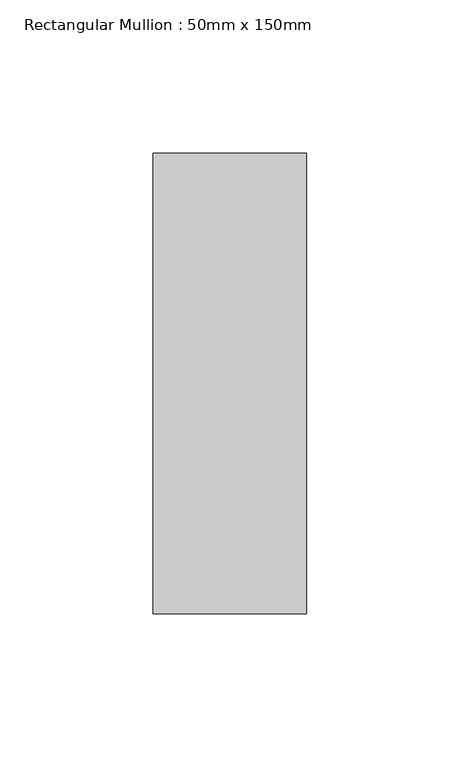
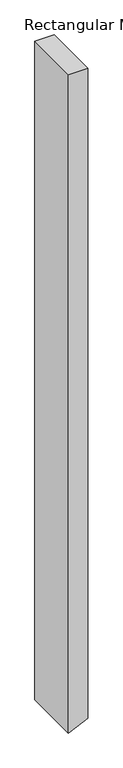
"""IFC4 building model written with IfcOpenShell, lengths in millimetres: member geometry, Rectangular Mullion : 50mm x 150mm."""

from ifc_helpers import new_model, si_unit, frame, origin, place, context, project, spatial, polyline, outline, extrude, source, transform, mapped, element, save


def rectangular_mullion_50mm_x_150mm_cd83a077(model_context):
    return source(origin(), model_context, "Body", "SweptSolid", [
        extrude(outline(polyline([(0.0, 25.0), (0.0, -25.0), (-1796.0143391, -25.0), (-1794.1778425, -21.0411824), (-1772.8193249, 25.0), (0.0, 25.0)])), frame((0.0, -75.0, 0.0), z_axis=(0.0, 1.0, 0.0), x_axis=(0.0, 0.0, 1.0)), (0.0, 0.0, 1.0), 150.0),
    ])


if __name__ == "__main__":
    model = new_model("IFC4")
    model_context = context("Model", 3, world=origin())
    ifc_project = project(units=[si_unit("LENGTHUNIT", "METRE", prefix="MILLI")], contexts=[model_context])
    site = spatial("IfcSite", under=ifc_project)
    building = spatial("IfcBuilding", under=site)
    placement = place(None, origin())
    rectangular_mullion_50mm_x_150mm_shape = rectangular_mullion_50mm_x_150mm_cd83a077(model_context)
    element("IfcMember", 1, ObjectType="Rectangular Mullion : 50mm x 150mm", at=placement, inside=building, context=model_context, shape_type="MappedRepresentation", body=[
        mapped(rectangular_mullion_50mm_x_150mm_shape, transform((0.0, 0.0, 0.0), x_axis=(1.0, 0.0, 0.0), y_axis=(0.0, 1.0, 0.0), z_axis=(0.0, 0.0, 1.0))),
    ])
    save(model, "model.ifc")
